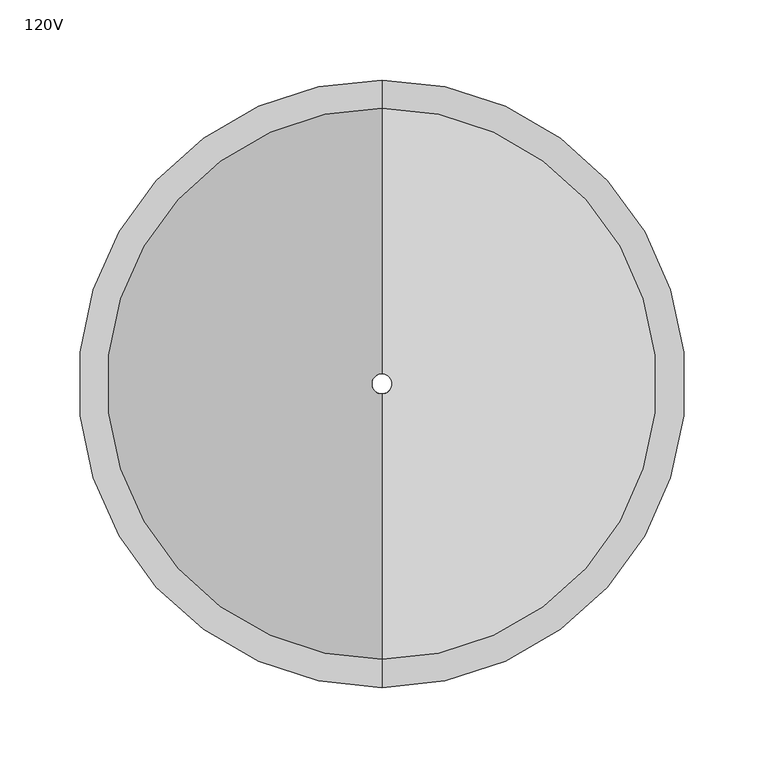
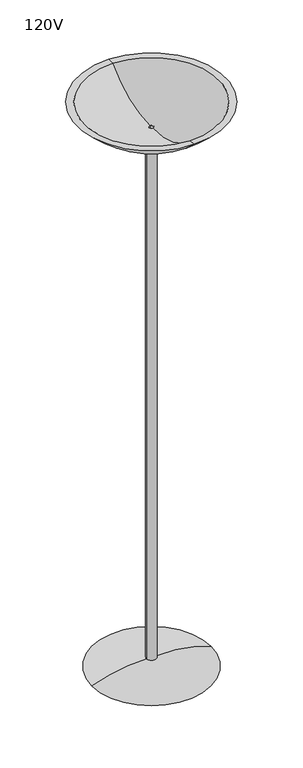
"""IFC4 building model written with IfcOpenShell, lengths in millimetres: light fixture geometry, 120V."""

from ifc_helpers import new_model, si_unit, point, frame, origin, place, context, project, spatial, polyline, circle_curve, ellipse_curve, trimmed, source, transform, mapped, element, save
from ifc_brep_helpers import plane_surface, cylinder_surface, revolved_surface, advanced_brep


def light_fixture_120v_8a54b260(model_context):
    return source(origin(), model_context, "Body", "AdvancedBrep", [
        advanced_brep(
        [(-12.7, 0.0, 23.8559377), (12.7, 0.0, 23.8559377), (152.4, 0.0, 0.0), (-152.4, 0.0, 0.0), (-12.7, 0.0, 1443.3755116), (12.7, 0.0, 1443.3755116), (-6.35, 0.0, 1443.3755116), (6.35, 0.0, 1443.3755116), (-6.35, 0.0, 0.0), (6.35, 0.0, 0.0)],
        [
            (0, 1, circle_curve(frame((0.0, 0.0, 23.8559377), z_axis=(0.0, 0.0, -1.0), x_axis=(0.0, 1.0, 0.0)), 12.7)),
            (1, 2, circle_curve(frame((27.9174306, 0.0, -307.9995076), z_axis=(0.0, 1.0, 0.0), x_axis=(1.0, 0.0, 0.0)), 332.2041643)),
            (2, 3, circle_curve(frame((0.0, 0.0, 0.0), z_axis=(0.0, 0.0, 1.0), x_axis=(0.0, 1.0, 0.0)), 152.4)),
            (3, 0, circle_curve(frame((-27.9174306, 0.0, -307.9995076), z_axis=(0.0, 1.0, 0.0), x_axis=(-1.0, 0.0, 0.0)), 332.2041643)),
            (1, 0, circle_curve(frame((0.0, 0.0, 23.8559377), z_axis=(0.0, 0.0, -1.0), x_axis=(0.0, 1.0, 0.0)), 12.7)),
            (3, 2, circle_curve(frame((0.0, 0.0, 0.0), z_axis=(0.0, 0.0, 1.0), x_axis=(0.0, 1.0, 0.0)), 152.4)),
            (4, 5, circle_curve(frame((0.0, 0.0, 1443.3755116), z_axis=(0.0, 0.0, -1.0), x_axis=(0.0, 1.0, 0.0)), 12.7)),
            (5, 1),
            (0, 4),
            (5, 4, circle_curve(frame((0.0, 0.0, 1443.3755116), z_axis=(0.0, 0.0, -1.0), x_axis=(0.0, 1.0, 0.0)), 12.7)),
            (6, 7, circle_curve(frame((0.0, 0.0, 1443.3755116), z_axis=(0.0, 0.0, -1.0), x_axis=(0.0, 1.0, 0.0)), 6.35)),
            (7, 5),
            (4, 6),
            (7, 6, circle_curve(frame((0.0, 0.0, 1443.3755116), z_axis=(0.0, 0.0, -1.0), x_axis=(0.0, 1.0, 0.0)), 6.35)),
            (8, 9, circle_curve(frame((0.0, 0.0, 0.0), z_axis=(0.0, 0.0, -1.0), x_axis=(0.0, 1.0, 0.0)), 6.35)),
            (9, 7),
            (6, 8),
            (9, 8, circle_curve(frame((0.0, 0.0, 0.0), z_axis=(0.0, 0.0, -1.0), x_axis=(0.0, 1.0, 0.0)), 6.35)),
            (2, 9),
            (8, 3),
        ],
        [
            revolved_surface(trimmed(ellipse_curve(frame((0.0, 27.9174306, -307.9995076), z_axis=(1.0, 0.0, 0.0), x_axis=(0.0, 1.0, 0.0)), 332.2041643, 332.2041643), [point((0.0, 152.4, 0.0))], [point((0.0, 12.7, 23.8559377))], True, "CARTESIAN"), (0.0, 0.0, 0.0), (0.0, 0.0, 1.0)),
            cylinder_surface(frame((0.0, 0.0, 0.0), z_axis=(0.0, 0.0, 1.0), x_axis=(0.0, 1.0, 0.0)), 12.7),
            plane_surface(frame((0.0, 0.0, 1443.3755116), z_axis=(0.0, 0.0, 1.0), x_axis=(0.0, 1.0, 0.0))),
            revolved_surface(polyline([(0.0, 6.35, 1443.3755116), (0.0, 6.35, 0.0)]), (0.0, 0.0, 0.0), (0.0, 0.0, 1.0)),
            plane_surface(frame((0.0, 0.0, 0.0), z_axis=(0.0, 0.0, -1.0), x_axis=(0.0, 1.0, 0.0))),
        ],
        [
            (0, [[1, 2, 3, 4]]),
            (0, [[5, -4, 6, -2]]),
            (1, [[7, 8, -1, 9]]),
            (1, [[10, -9, -5, -8]]),
            (2, [[11, 12, -7, 13]]),
            (2, [[14, -13, -10, -12]]),
            (3, [[15, 16, -11, 17]]),
            (3, [[18, -17, -14, -16]]),
            (4, [[-3, 19, -15, 20]]),
            (4, [[-6, -20, -18, -19]]),
        ],
    ),
        advanced_brep(
        [(0.0, -171.9151264, 1524.0), (0.0, 171.9151264, 1524.0), (0.0, 189.6566143, 1524.0), (0.0, -189.6566143, 1524.0), (0.0, -6.35, 1456.0755116), (0.0, 6.35, 1456.0755116), (0.0, -6.35, 1443.3755116), (0.0, 6.35, 1443.3755116), (0.0, -12.7, 1443.3755116), (0.0, 12.7, 1443.3755116)],
        [
            (0, 1, circle_curve(frame((0.0, 0.0, 1524.0), z_axis=(0.0, 0.0, -1.0), x_axis=(0.0, 1.0, 0.0)), 171.9151264)),
            (1, 2),
            (2, 3, circle_curve(frame((0.0, 0.0, 1524.0), z_axis=(0.0, 0.0, 1.0), x_axis=(0.0, 1.0, 0.0)), 189.6566143)),
            (3, 0),
            (1, 0, circle_curve(frame((0.0, 0.0, 1524.0), z_axis=(0.0, 0.0, -1.0), x_axis=(0.0, 1.0, 0.0)), 171.9151264)),
            (3, 2, circle_curve(frame((0.0, 0.0, 1524.0), z_axis=(0.0, 0.0, 1.0), x_axis=(0.0, 1.0, 0.0)), 189.6566143)),
            (4, 5, circle_curve(frame((0.0, 0.0, 1456.0755116), z_axis=(0.0, 0.0, -1.0), x_axis=(0.0, 1.0, 0.0)), 6.35)),
            (5, 1, circle_curve(frame((0.0, 6.35, 1691.8192616), z_axis=(1.0, 0.0, 0.0), x_axis=(0.0, 1.0, 0.0)), 235.74375)),
            (0, 4, circle_curve(frame((0.0, -6.35, 1691.8192616), z_axis=(1.0, 0.0, 0.0), x_axis=(0.0, -1.0, 0.0)), 235.74375)),
            (5, 4, circle_curve(frame((0.0, 0.0, 1456.0755116), z_axis=(0.0, 0.0, -1.0), x_axis=(0.0, 1.0, 0.0)), 6.35)),
            (6, 7, circle_curve(frame((0.0, 0.0, 1443.3755116), z_axis=(0.0, 0.0, -1.0), x_axis=(0.0, 1.0, 0.0)), 6.35)),
            (7, 5),
            (4, 6),
            (7, 6, circle_curve(frame((0.0, 0.0, 1443.3755116), z_axis=(0.0, 0.0, -1.0), x_axis=(0.0, 1.0, 0.0)), 6.35)),
            (8, 9, circle_curve(frame((0.0, 0.0, 1443.3755116), z_axis=(0.0, 0.0, -1.0), x_axis=(0.0, 1.0, 0.0)), 12.7)),
            (9, 7),
            (6, 8),
            (9, 8, circle_curve(frame((0.0, 0.0, 1443.3755116), z_axis=(0.0, 0.0, -1.0), x_axis=(0.0, 1.0, 0.0)), 12.7)),
            (2, 9, circle_curve(frame((0.0, 6.35, 1691.8192616), z_axis=(-1.0, 0.0, 0.0), x_axis=(0.0, 1.0, 0.0)), 248.5248869)),
            (8, 3, circle_curve(frame((0.0, -6.35, 1691.8192616), z_axis=(-1.0, 0.0, 0.0), x_axis=(0.0, -1.0, 0.0)), 248.5248869)),
        ],
        [
            plane_surface(frame((0.0, 0.0, 1524.0), z_axis=(0.0, 0.0, 1.0), x_axis=(0.0, 1.0, 0.0))),
            revolved_surface(trimmed(ellipse_curve(frame((0.0, 6.35, 1691.8192616), z_axis=(-1.0, 0.0, 0.0), x_axis=(0.0, 1.0, 0.0)), 235.74375, 235.74375), [point((0.0, 171.9151264, 1524.0))], [point((0.0, 6.35, 1456.0755116))], True, "CARTESIAN"), (0.0, 0.0, 1676.4), (0.0, 0.0, 1.0)),
            revolved_surface(polyline([(0.0, 6.35, 1456.0755116), (0.0, 6.35, 1443.3755116)]), (0.0, 0.0, 1676.4), (0.0, 0.0, 1.0)),
            plane_surface(frame((0.0, 0.0, 1443.3755116), z_axis=(0.0, 0.0, -1.0), x_axis=(0.0, 1.0, 0.0))),
            revolved_surface(trimmed(ellipse_curve(frame((0.0, 6.35, 1691.8192616), z_axis=(1.0, 0.0, 0.0), x_axis=(0.0, 1.0, 0.0)), 248.5248869, 248.5248869), [point((0.0, 12.7, 1443.3755116))], [point((0.0, 189.6566143, 1524.0))], True, "CARTESIAN"), (0.0, 0.0, 1676.4), (0.0, 0.0, 1.0)),
        ],
        [
            (0, [[1, 2, 3, 4]]),
            (0, [[5, -4, 6, -2]]),
            (1, [[7, 8, -1, 9]]),
            (1, [[10, -9, -5, -8]]),
            (2, [[11, 12, -7, 13]]),
            (2, [[14, -13, -10, -12]]),
            (3, [[15, 16, -11, 17]]),
            (3, [[18, -17, -14, -16]]),
            (4, [[-3, 19, -15, 20]]),
            (4, [[-6, -20, -18, -19]]),
        ],
    ),
    ])


if __name__ == "__main__":
    model = new_model("IFC4")
    model_context = context("Model", 3, world=origin())
    ifc_project = project(units=[si_unit("LENGTHUNIT", "METRE", prefix="MILLI")], contexts=[model_context])
    site = spatial("IfcSite", under=ifc_project)
    building = spatial("IfcBuilding", under=site)
    placement = place(None, origin())
    light_fixture_120v_shape = light_fixture_120v_8a54b260(model_context)
    element("IfcLightFixture", 1, ObjectType="120V", at=placement, inside=building, context=model_context, shape_type="MappedRepresentation", body=[
        mapped(light_fixture_120v_shape, transform((0.0, 0.0, 0.0), x_axis=(1.0, 0.0, 0.0), y_axis=(0.0, 1.0, 0.0), z_axis=(0.0, 0.0, 1.0))),
    ])
    save(model, "model.ifc")
